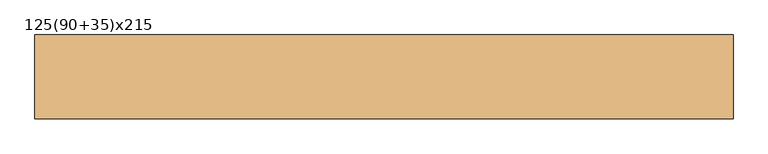
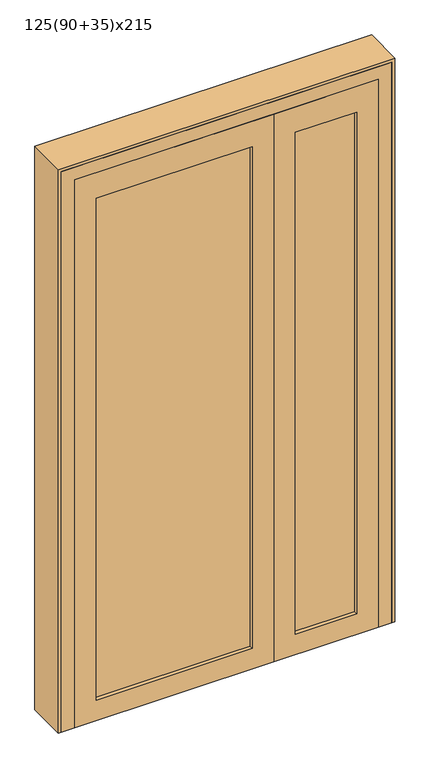
"""IFC4 building model written with IfcOpenShell, lengths in millimetres: door geometry, 125(90+35)x215."""

from ifc_helpers import new_model, si_unit, frame, origin, place, context, project, spatial, polyline, outline, extrude, source, transform, mapped, element, save


def door_125_90_35_x215_f6a5540a(model_context):
    return source(origin(), model_context, "Body", "SweptSolid", [
        extrude(outline(polyline([(95.0, 0.0), (95.0, -60.0), (-483.0, -60.0), (-483.0, 0.0), (95.0, 0.0)])), frame((0.0, 0.0, 80.0), z_axis=(0.0, 0.0, 1.0), x_axis=(1.0, 0.0, 0.0)), (0.0, 0.0, 1.0), 1970.0),
        extrude(outline(polyline([(483.0, 0.0), (483.0, -60.0), (255.0, -60.0), (255.0, 0.0), (483.0, 0.0)])), frame((0.0, 0.0, 80.0), z_axis=(0.0, 0.0, 1.0), x_axis=(1.0, 0.0, 0.0)), (0.0, 0.0, 1.0), 1970.0),
        extrude(outline(polyline([(0.0, 175.0), (2150.0, 175.0), (2150.0, -563.0), (0.0, -563.0), (0.0, 175.0)]), holes=[polyline([(80.0, -483.0), (2050.0, -483.0), (2050.0, 95.0), (80.0, 95.0), (80.0, -483.0)])]), frame((0.0, -75.0, 0.0), z_axis=(0.0, 1.0, 0.0), x_axis=(0.0, 0.0, 1.0)), (0.0, 0.0, 1.0), 90.0),
        extrude(outline(polyline([(2150.0, 563.0), (2150.0, 175.0), (0.0, 175.0), (0.0, 563.0), (2150.0, 563.0)]), holes=[polyline([(2050.0, 483.0), (80.0, 483.0), (80.0, 255.0), (2050.0, 255.0), (2050.0, 483.0)])]), frame((0.0, -75.0, 0.0), z_axis=(0.0, 1.0, 0.0), x_axis=(0.0, 0.0, 1.0)), (0.0, 0.0, 1.0), 90.0),
        extrude(outline(polyline([(2200.0, 613.0), (2200.0, -613.0), (0.0, -613.0), (0.0, -563.0), (2150.0, -563.0), (2150.0, 563.0), (0.0, 563.0), (0.0, 613.0), (2200.0, 613.0)])), frame((0.0, -75.0, 0.0), z_axis=(0.0, 1.0, 0.0), x_axis=(0.0, 0.0, 1.0)), (0.0, 0.0, 1.0), 90.0),
        extrude(outline(polyline([(0.0, 625.0), (2212.0, 625.0), (2212.0, -625.0), (0.0, -625.0), (0.0, -613.0), (2200.0, -613.0), (2200.0, 613.0), (0.0, 613.0), (0.0, 625.0)])), frame((0.0, -75.0, 0.0), z_axis=(0.0, 1.0, 0.0), x_axis=(0.0, 0.0, 1.0)), (0.0, 0.0, 1.0), 150.0),
    ])


if __name__ == "__main__":
    model = new_model("IFC4")
    model_context = context("Model", 3, world=origin())
    ifc_project = project(units=[si_unit("LENGTHUNIT", "METRE", prefix="MILLI")], contexts=[model_context])
    site = spatial("IfcSite", under=ifc_project)
    building = spatial("IfcBuilding", under=site)
    placement = place(None, origin())
    door_125_90_35_x215_shape = door_125_90_35_x215_f6a5540a(model_context)
    element("IfcDoor", 1, ObjectType="125(90+35)x215", at=placement, inside=building, context=model_context, shape_type="MappedRepresentation", body=[
        mapped(door_125_90_35_x215_shape, transform((0.0, 0.0, 0.0), x_axis=(1.0, 0.0, 0.0), y_axis=(0.0, 1.0, 0.0), z_axis=(0.0, 0.0, 1.0))),
    ])
    save(model, "model.ifc")
